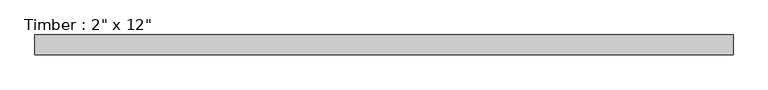
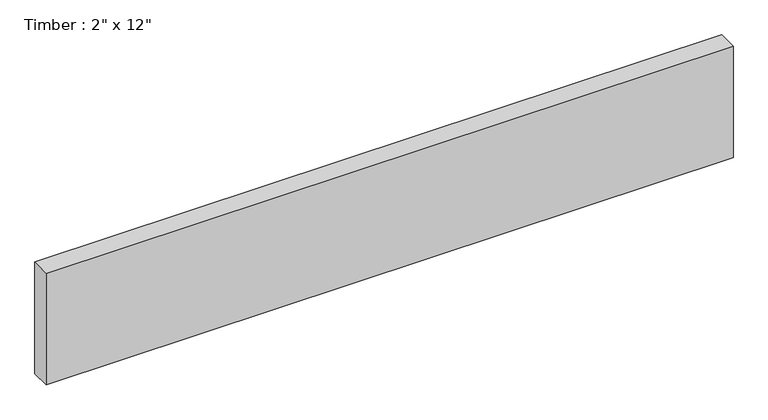
"""IFC4 building model written with IfcOpenShell, lengths in millimetres: beam geometry."""

from ifc_helpers import new_model, si_unit, frame, origin, place, context, project, spatial, polyline, outline, extrude, source, transform, mapped, element, save


def beam_35b09c05(model_context):
    return source(origin(), model_context, "Body", "SweptSolid", [
        extrude(outline(polyline([(902.2043111, 25.4), (902.2043111, -25.4), (-870.0873279, -25.4), (-870.0873279, 25.4), (902.2043111, 25.4)])), frame((0.0, 0.0, -152.4), z_axis=(0.0, 0.0, 1.0), x_axis=(1.0, 0.0, 0.0)), (0.0, 0.0, 1.0), 304.8),
    ])


if __name__ == "__main__":
    model = new_model("IFC4")
    model_context = context("Model", 3, world=origin())
    ifc_project = project(units=[si_unit("LENGTHUNIT", "METRE", prefix="MILLI")], contexts=[model_context])
    site = spatial("IfcSite", under=ifc_project)
    building = spatial("IfcBuilding", under=site)
    placement = place(None, origin())
    beam_shape = beam_35b09c05(model_context)
    element("IfcBeam", 1, ObjectType="Timber : 2\" x 12\"", at=placement, inside=building, context=model_context, shape_type="MappedRepresentation", body=[
        mapped(beam_shape, transform((0.0, 0.0, 0.0), x_axis=(1.0, 0.0, 0.0), y_axis=(0.0, 1.0, 0.0), z_axis=(0.0, 0.0, 1.0))),
    ])
    save(model, "model.ifc")
